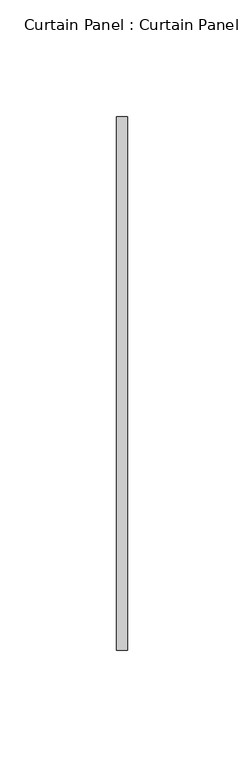
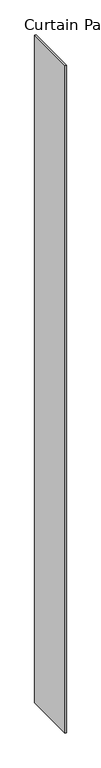
"""IFC4 building model written with IfcOpenShell, lengths in millimetres: plate geometry, Curtain Panel : Curtain Panel."""

from ifc_helpers import new_model, si_unit, origin, origin_with_axes, place, context, project, spatial, polyline, outline, extrude, source, transform, mapped, element, save


def curtain_panel_curtain_panel_c3e3ef0c(model_context):
    return source(origin(), model_context, "Body", "SweptSolid", [
        extrude(outline(polyline([(831.1469141, 92555.2732822), (831.1469141, 92783.8732822), (835.9094141, 92783.8732822), (835.9094141, 92555.2732822), (831.1469141, 92555.2732822)])), origin_with_axes(), (0.0, 0.0, 1.0), 3048.0),
    ])


if __name__ == "__main__":
    model = new_model("IFC4")
    model_context = context("Model", 3, world=origin())
    ifc_project = project(units=[si_unit("LENGTHUNIT", "METRE", prefix="MILLI")], contexts=[model_context])
    site = spatial("IfcSite", under=ifc_project)
    building = spatial("IfcBuilding", under=site)
    placement = place(None, origin())
    curtain_panel_curtain_panel_shape = curtain_panel_curtain_panel_c3e3ef0c(model_context)
    element("IfcPlate", 1, ObjectType="Curtain Panel : Curtain Panel", at=placement, inside=building, context=model_context, shape_type="MappedRepresentation", body=[
        mapped(curtain_panel_curtain_panel_shape, transform((0.0, 0.0, 0.0), x_axis=(1.0, 0.0, 0.0), y_axis=(0.0, 1.0, 0.0), z_axis=(0.0, 0.0, 1.0))),
    ])
    save(model, "model.ifc")
